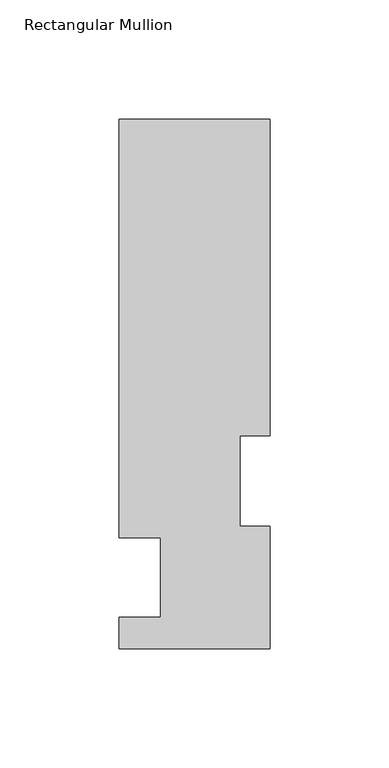
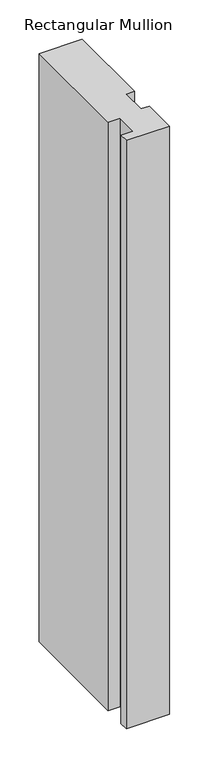
"""IFC4 building model written with IfcOpenShell, lengths in millimetres: member geometry, Rectangular Mullion."""

from ifc_helpers import new_model, si_unit, frame, origin, place, context, project, spatial, polyline, outline, extrude, source, transform, mapped, element, save


def rectangular_mullion_40a16629(model_context):
    return source(origin(), model_context, "Body", "SweptSolid", [
        extrude(outline(polyline([(31.75, 222.5381313), (31.75, 89.5945313), (19.05, 89.5945313), (19.05, 51.4945312), (31.7595098, 51.4945312), (31.7595098, 0.2119313), (-31.75, 0.2119313), (-31.75, 13.3945313), (-14.2748001, 13.3945313), (-14.2748001, 46.7447312), (-31.7500001, 46.7447312), (-31.7500001, 222.5381313), (31.75, 222.5381313)])), frame((0.0, 0.0, -914.4), z_axis=(0.0, 0.0, 1.0), x_axis=(1.0, 0.0, 0.0)), (0.0, 0.0, 1.0), 914.4),
    ])


if __name__ == "__main__":
    model = new_model("IFC4")
    model_context = context("Model", 3, world=origin())
    ifc_project = project(units=[si_unit("LENGTHUNIT", "METRE", prefix="MILLI")], contexts=[model_context])
    site = spatial("IfcSite", under=ifc_project)
    building = spatial("IfcBuilding", under=site)
    placement = place(None, origin())
    rectangular_mullion_shape = rectangular_mullion_40a16629(model_context)
    element("IfcMember", 1, ObjectType="Rectangular Mullion", at=placement, inside=building, context=model_context, shape_type="MappedRepresentation", body=[
        mapped(rectangular_mullion_shape, transform((0.0, 0.0, 0.0), x_axis=(1.0, 0.0, 0.0), y_axis=(0.0, 1.0, 0.0), z_axis=(0.0, 0.0, 1.0))),
    ])
    save(model, "model.ifc")
